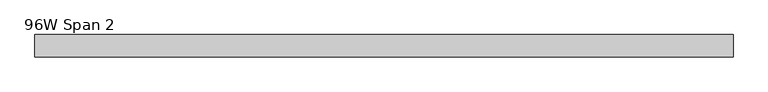
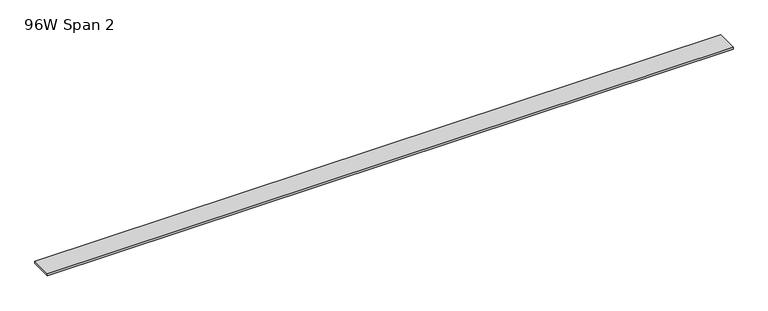
"""IFC4 building model written with IfcOpenShell, lengths in millimetres: furniture geometry, 96W Span 2."""

from ifc_helpers import new_model, si_unit, frame, origin, place, context, project, spatial, polyline, outline, extrude, source, transform, mapped, element, save


def furniture_96w_span_2_190ecb08(model_context):
    return source(origin(), model_context, "Body", "SweptSolid", [
        extrude(outline(polyline([(1163.21205, 38.735), (1163.21205, -38.735), (-1275.18795, -38.735), (-1275.18795, 38.735), (1163.21205, 38.735)])), frame((0.0, 0.0, 1429.766), z_axis=(0.0, 0.0, 1.0), x_axis=(1.0, 0.0, 0.0)), (0.0, 0.0, 1.0), 6.858),
    ])


if __name__ == "__main__":
    model = new_model("IFC4")
    model_context = context("Model", 3, world=origin())
    ifc_project = project(units=[si_unit("LENGTHUNIT", "METRE", prefix="MILLI")], contexts=[model_context])
    site = spatial("IfcSite", under=ifc_project)
    building = spatial("IfcBuilding", under=site)
    placement = place(None, origin())
    furniture_96w_span_2_shape = furniture_96w_span_2_190ecb08(model_context)
    element("IfcFurniture", 1, ObjectType="96W Span 2", at=placement, inside=building, context=model_context, shape_type="MappedRepresentation", body=[
        mapped(furniture_96w_span_2_shape, transform((0.0, 0.0, 0.0), x_axis=(1.0, 0.0, 0.0), y_axis=(0.0, 1.0, 0.0), z_axis=(0.0, 0.0, 1.0))),
    ])
    save(model, "model.ifc")
